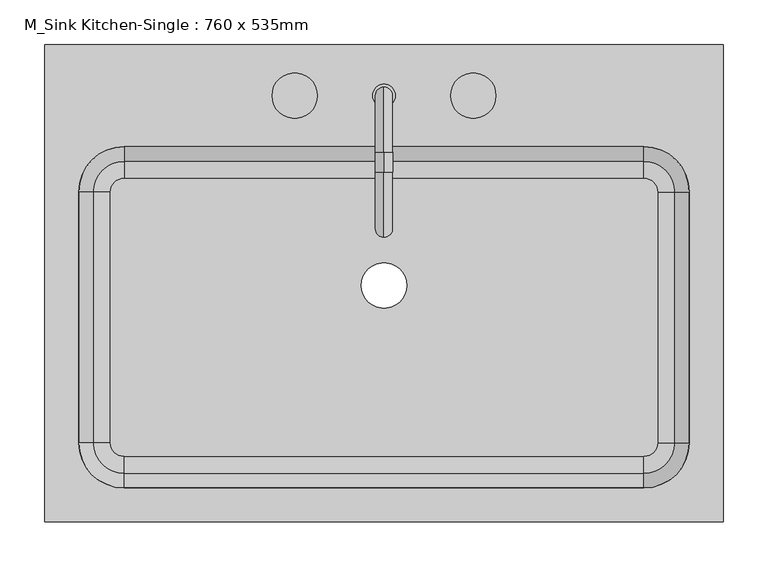
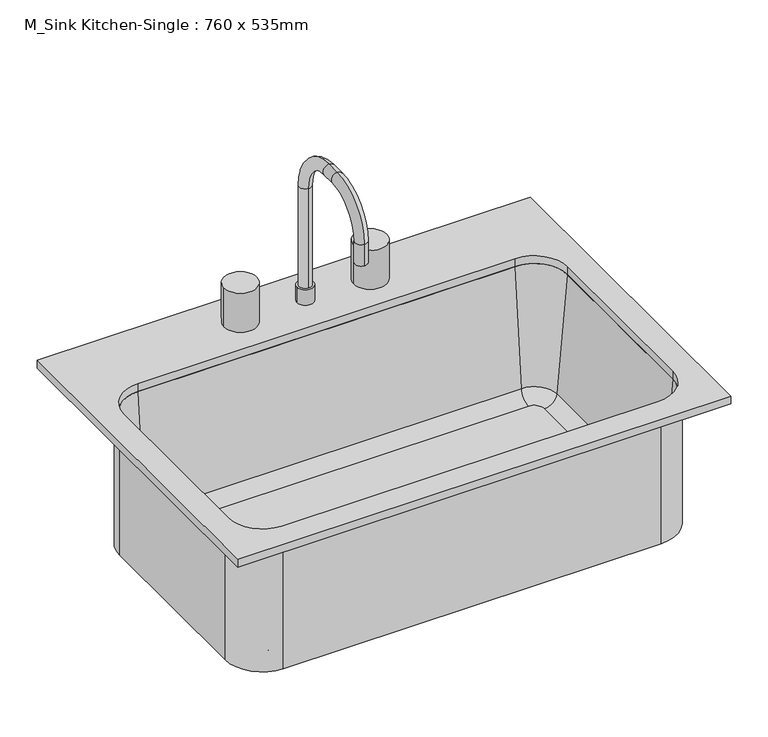
"""IFC4 building model written with IfcOpenShell, lengths in millimetres: flow terminal geometry, M_Sink Kitchen-Single : 760 x 535mm."""

from ifc_helpers import new_model, si_unit, point, frame, frame_2d, origin, place, context, project, spatial, polyline, circle_curve, ellipse_curve, trimmed, segment, composite_curve, outline, extrude, source, transform, mapped, element, save
from ifc_brep_helpers import plane_surface, cylinder_surface, revolved_surface, advanced_brep


def m_sink_kitchen_single_760_x_535mm_74321b3d(model_context):
    return source(origin(), model_context, "Body", "SolidModel", [
        advanced_brep(
        [(363.9392406, 104.7454011, 684.1), (306.7892406, 161.8954011, 684.1), (306.7892406, 161.8954011, 900.0), (363.9392406, 104.7454011, 900.0), (363.9392406, -176.2545989, 684.1), (306.7892406, -233.4045989, 684.1), (-275.4107594, -233.4045989, 684.1), (-332.5607594, -176.2545989, 684.1), (-332.5607594, 104.7454011, 684.1), (-275.4107594, 161.8954011, 684.1), (-9.7107594, 0.0, 684.1), (41.0892406, 0.0, 684.1), (322.0776588, 104.7454011, 693.625), (306.7892406, 120.0338193, 693.625), (-275.4107594, 120.0338193, 693.625), (-290.6991776, 104.7454011, 693.625), (-290.6991776, -176.2545989, 693.625), (-275.4107594, -191.5430171, 693.625), (306.7892406, -191.5430171, 693.625), (322.0776588, -176.2545989, 693.625), (-9.7107594, 0.0, 693.625), (41.0892406, 0.0, 693.625), (341.0551678, 104.7454011, 711.0146831), (306.7892406, 139.0113283, 711.0146831), (357.5892406, 104.7454011, 900.0), (306.7892406, 155.5454011, 900.0), (363.9392406, -176.2545989, 900.0), (341.0551678, -176.2545989, 711.0146831), (357.5892406, -176.2545989, 900.0), (306.7892406, -233.4045989, 900.0), (306.7892406, -210.5205261, 711.0146831), (306.7892406, -227.0545989, 900.0), (-275.4107594, -233.4045989, 900.0), (-275.4107594, -210.5205261, 711.0146831), (-275.4107594, -227.0545989, 900.0), (-332.5607594, -176.2545989, 900.0), (-309.6766866, -176.2545989, 711.0146831), (-326.2107594, -176.2545989, 900.0), (-332.5607594, 104.7454011, 900.0), (-309.6766866, 104.7454011, 711.0146831), (-326.2107594, 104.7454011, 900.0), (-275.4107594, 161.8954011, 900.0), (-275.4107594, 139.0113283, 711.0146831), (-275.4107594, 155.5454011, 900.0)],
        [
            (0, 1, circle_curve(frame((306.7892406, 104.7454011, 684.1), z_axis=(0.0, 0.0, 1.0), x_axis=(0.0, 1.0, 0.0)), 57.15)),
            (1, 2),
            (2, 3, circle_curve(frame((306.7892406, 104.7454011, 900.0), z_axis=(0.0, 0.0, -1.0), x_axis=(0.0, 1.0, 0.0)), 57.15)),
            (3, 0),
            (0, 4),
            (4, 5, circle_curve(frame((306.7892406, -176.2545989, 684.1), z_axis=(0.0, 0.0, -1.0), x_axis=(1.0, 0.0, 0.0)), 57.15)),
            (5, 6),
            (6, 7, circle_curve(frame((-275.4107594, -176.2545989, 684.1), z_axis=(0.0, 0.0, -1.0), x_axis=(0.0, -1.0, 0.0)), 57.15)),
            (7, 8),
            (8, 9, circle_curve(frame((-275.4107594, 104.7454011, 684.1), z_axis=(0.0, 0.0, -1.0), x_axis=(-1.0, 0.0, 0.0)), 57.15)),
            (9, 1),
            (10, 11, circle_curve(frame((15.6892406, 0.0, 684.1), z_axis=(0.0, 0.0, 1.0), x_axis=(1.0, 0.0, 0.0)), 25.4)),
            (11, 10, circle_curve(frame((15.6892406, 0.0, 684.1), z_axis=(0.0, 0.0, 1.0), x_axis=(1.0, 0.0, 0.0)), 25.4)),
            (12, 13, circle_curve(frame((306.7892406, 104.7454011, 693.625), z_axis=(0.0, 0.0, 1.0), x_axis=(0.0, 1.0, 0.0)), 15.2884182)),
            (13, 14),
            (14, 15, circle_curve(frame((-275.4107594, 104.7454011, 693.625), z_axis=(0.0, 0.0, 1.0), x_axis=(-1.0, 0.0, 0.0)), 15.2884182)),
            (15, 16),
            (16, 17, circle_curve(frame((-275.4107594, -176.2545989, 693.625), z_axis=(0.0, 0.0, 1.0), x_axis=(0.0, -1.0, 0.0)), 15.2884182)),
            (17, 18),
            (18, 19, circle_curve(frame((306.7892406, -176.2545989, 693.625), z_axis=(0.0, 0.0, 1.0), x_axis=(1.0, 0.0, 0.0)), 15.2884182)),
            (19, 12),
            (20, 21, circle_curve(frame((15.6892406, 0.0, 693.625), z_axis=(0.0, 0.0, -1.0), x_axis=(1.0, 0.0, 0.0)), 25.4)),
            (21, 20, circle_curve(frame((15.6892406, 0.0, 693.625), z_axis=(0.0, 0.0, -1.0), x_axis=(1.0, 0.0, 0.0)), 25.4)),
            (12, 22, circle_curve(frame((322.0776588, 104.7454011, 712.675), z_axis=(0.0, -1.0, 0.0), x_axis=(1.0, 0.0, 0.0)), 19.05)),
            (22, 23, circle_curve(frame((306.7892406, 104.7454011, 711.0146831), z_axis=(0.0, 0.0, 1.0), x_axis=(0.0, 1.0, 0.0)), 34.2659272)),
            (23, 13, circle_curve(frame((306.7892406, 120.0338193, 712.675), z_axis=(-1.0, 0.0, 0.0), x_axis=(0.0, 1.0, 0.0)), 19.05)),
            (22, 24),
            (24, 25, circle_curve(frame((306.7892406, 104.7454011, 900.0), z_axis=(0.0, 0.0, 1.0), x_axis=(0.0, 1.0, 0.0)), 50.8)),
            (25, 23),
            (2, 25),
            (24, 3),
            (3, 26),
            (26, 4),
            (19, 27, circle_curve(frame((322.0776588, -176.2545989, 712.675), z_axis=(0.0, -1.0, 0.0), x_axis=(1.0, 0.0, 0.0)), 19.05)),
            (27, 22),
            (27, 28),
            (28, 24),
            (28, 26),
            (26, 29, circle_curve(frame((306.7892406, -176.2545989, 900.0), z_axis=(0.0, 0.0, -1.0), x_axis=(1.0, 0.0, 0.0)), 57.15)),
            (29, 5),
            (18, 30, circle_curve(frame((306.7892406, -191.5430171, 712.675), z_axis=(-1.0, 0.0, 0.0), x_axis=(0.0, -1.0, 0.0)), 19.05)),
            (30, 27, circle_curve(frame((306.7892406, -176.2545989, 711.0146831), z_axis=(0.0, 0.0, 1.0), x_axis=(1.0, 0.0, 0.0)), 34.2659272)),
            (30, 31),
            (31, 28, circle_curve(frame((306.7892406, -176.2545989, 900.0), z_axis=(0.0, 0.0, 1.0), x_axis=(1.0, 0.0, 0.0)), 50.8)),
            (31, 29),
            (29, 32),
            (32, 6),
            (17, 33, circle_curve(frame((-275.4107594, -191.5430171, 712.675), z_axis=(-1.0, 0.0, 0.0), x_axis=(0.0, -1.0, 0.0)), 19.05)),
            (33, 30),
            (33, 34),
            (34, 31),
            (34, 32),
            (32, 35, circle_curve(frame((-275.4107594, -176.2545989, 900.0), z_axis=(0.0, 0.0, -1.0), x_axis=(0.0, -1.0, 0.0)), 57.15)),
            (35, 7),
            (16, 36, circle_curve(frame((-290.6991776, -176.2545989, 712.675), z_axis=(0.0, 1.0, 0.0), x_axis=(-1.0, 0.0, 0.0)), 19.05)),
            (36, 33, circle_curve(frame((-275.4107594, -176.2545989, 711.0146831), z_axis=(0.0, 0.0, 1.0), x_axis=(0.0, -1.0, 0.0)), 34.2659272)),
            (36, 37),
            (37, 34, circle_curve(frame((-275.4107594, -176.2545989, 900.0), z_axis=(0.0, 0.0, 1.0), x_axis=(0.0, -1.0, 0.0)), 50.8)),
            (37, 35),
            (35, 38),
            (38, 8),
            (15, 39, circle_curve(frame((-290.6991776, 104.7454011, 712.675), z_axis=(0.0, 1.0, 0.0), x_axis=(-1.0, 0.0, 0.0)), 19.05)),
            (39, 36),
            (39, 40),
            (40, 37),
            (40, 38),
            (38, 41, circle_curve(frame((-275.4107594, 104.7454011, 900.0), z_axis=(0.0, 0.0, -1.0), x_axis=(-1.0, 0.0, 0.0)), 57.15)),
            (41, 9),
            (14, 42, circle_curve(frame((-275.4107594, 120.0338193, 712.675), z_axis=(1.0, 0.0, 0.0), x_axis=(0.0, 1.0, 0.0)), 19.05)),
            (42, 39, circle_curve(frame((-275.4107594, 104.7454011, 711.0146831), z_axis=(0.0, 0.0, 1.0), x_axis=(-1.0, 0.0, 0.0)), 34.2659272)),
            (42, 43),
            (43, 40, circle_curve(frame((-275.4107594, 104.7454011, 900.0), z_axis=(0.0, 0.0, 1.0), x_axis=(-1.0, 0.0, 0.0)), 50.8)),
            (43, 41),
            (41, 2),
            (23, 42),
            (25, 43),
            (20, 10),
            (11, 21),
        ],
        [
            cylinder_surface(frame((306.7892406, 104.7454011, 0.0), z_axis=(0.0, 0.0, -1.0), x_axis=(0.0, 1.0, 0.0)), 57.15),
            plane_surface(frame((306.7892406, 104.7454011, 684.1), z_axis=(0.0, 0.0, -1.0), x_axis=(0.0, 1.0, 0.0))),
            plane_surface(frame((306.7892406, 104.7454011, 693.625), z_axis=(0.0, 0.0, 1.0), x_axis=(0.0, 1.0, 0.0))),
            revolved_surface(trimmed(ellipse_curve(frame((306.7892406, 120.0338193, 712.675), z_axis=(1.0, 0.0, 0.0), x_axis=(0.0, 1.0, 0.0)), 19.05, 19.05), [point((306.7892406, 120.0338193, 693.625))], [point((306.7892406, 139.0113283, 711.0146831))], True, "CARTESIAN"), (306.7892406, 104.7454011, 0.0), (0.0, 0.0, -1.0)),
            revolved_surface(polyline([(306.7892406, 139.0113283, 711.0146831), (306.7892406, 155.5454011, 900.0)]), (306.7892406, 104.7454011, 0.0), (0.0, 0.0, -1.0)),
            plane_surface(frame((306.7892406, 104.7454011, 900.0), z_axis=(0.0, 0.0, 1.0), x_axis=(0.0, 1.0, 0.0))),
            plane_surface(frame((363.9392406, 104.7454011, 900.0), z_axis=(1.0, 0.0, 0.0), x_axis=(0.0, -1.0, 0.0))),
            revolved_surface(polyline([(341.1276588, -176.25459890000002, 712.675), (341.1276588, 104.7454011, 712.675)]), (322.0776588, 104.7454011, 712.675), (0.0, -1.0, 0.0)),
            plane_surface(frame((341.0551678, 104.7454011, 711.0146831), z_axis=(-0.9961946980917443, 0.0, 0.08715574274767235), x_axis=(0.0, -1.0, 0.0))),
            plane_surface(frame((357.5892406, 104.7454011, 900.0), z_axis=(0.0, 0.0, 1.0), x_axis=(0.0, -1.0, 0.0))),
            cylinder_surface(frame((306.7892406, -176.2545989, 0.0), z_axis=(0.0, 0.0, -1.0), x_axis=(1.0, 0.0, 0.0)), 57.15),
            revolved_surface(trimmed(ellipse_curve(frame((322.0776588, -176.2545989, 712.675), z_axis=(0.0, -1.0, 0.0), x_axis=(1.0, 0.0, 0.0)), 19.05, 19.05), [point((322.0776588, -176.2545989, 693.625))], [point((341.0551678, -176.2545989, 711.0146831))], True, "CARTESIAN"), (306.7892406, -176.2545989, 0.0), (0.0, 0.0, -1.0)),
            revolved_surface(polyline([(341.0551678, -176.2545989, 711.0146831), (357.5892406, -176.2545989, 900.0)]), (306.7892406, -176.2545989, 0.0), (0.0, 0.0, -1.0)),
            plane_surface(frame((306.7892406, -176.2545989, 900.0), z_axis=(0.0, 0.0, 1.0), x_axis=(1.0, 0.0, 0.0))),
            plane_surface(frame((306.7892406, -233.4045989, 900.0), z_axis=(0.0, -1.0, 0.0), x_axis=(-1.0, 0.0, 0.0))),
            revolved_surface(polyline([(-275.4107594, -210.5930171, 712.675), (306.7892406, -210.5930171, 712.675)]), (306.7892406, -191.5430171, 712.675), (-1.0, 0.0, 0.0)),
            plane_surface(frame((306.7892406, -210.5205261, 711.0146831), z_axis=(0.0, 0.9961946980917443, 0.08715574274767235), x_axis=(-1.0, 0.0, 0.0))),
            plane_surface(frame((306.7892406, -227.0545989, 900.0), z_axis=(0.0, 0.0, 1.0), x_axis=(-1.0, 0.0, 0.0))),
            cylinder_surface(frame((-275.4107594, -176.2545989, 0.0), z_axis=(0.0, 0.0, -1.0), x_axis=(0.0, -1.0, 0.0)), 57.15),
            revolved_surface(trimmed(ellipse_curve(frame((-275.4107594, -191.5430171, 712.675), z_axis=(-1.0, 0.0, 0.0), x_axis=(0.0, -1.0, 0.0)), 19.05, 19.05), [point((-275.4107594, -191.5430171, 693.625))], [point((-275.4107594, -210.5205261, 711.0146831))], True, "CARTESIAN"), (-275.4107594, -176.2545989, 0.0), (0.0, 0.0, -1.0)),
            revolved_surface(polyline([(-275.4107594, -210.5205261, 711.0146831), (-275.4107594, -227.0545989, 900.0)]), (-275.4107594, -176.2545989, 0.0), (0.0, 0.0, -1.0)),
            plane_surface(frame((-275.4107594, -176.2545989, 900.0), z_axis=(0.0, 0.0, 1.0), x_axis=(0.0, -1.0, 0.0))),
            plane_surface(frame((-332.5607594, -176.2545989, 900.0), z_axis=(-1.0, 0.0, 0.0), x_axis=(0.0, 1.0, 0.0))),
            revolved_surface(polyline([(-309.7491776, 104.74540110000001, 712.675), (-309.7491776, -176.2545989, 712.675)]), (-290.6991776, -176.2545989, 712.675), (0.0, 1.0, 0.0)),
            plane_surface(frame((-309.6766866, -176.2545989, 711.0146831), z_axis=(0.9961946980917443, 0.0, 0.08715574274767235), x_axis=(0.0, 1.0, 0.0))),
            plane_surface(frame((-326.2107594, -176.2545989, 900.0), z_axis=(0.0, 0.0, 1.0), x_axis=(0.0, 1.0, 0.0))),
            cylinder_surface(frame((-275.4107594, 104.7454011, 0.0), z_axis=(0.0, 0.0, -1.0), x_axis=(-1.0, 0.0, 0.0)), 57.15),
            revolved_surface(trimmed(ellipse_curve(frame((-290.6991776, 104.7454011, 712.675), z_axis=(0.0, 1.0, 0.0), x_axis=(-1.0, 0.0, 0.0)), 19.05, 19.05), [point((-290.6991776, 104.7454011, 693.625))], [point((-309.6766866, 104.7454011, 711.0146831))], True, "CARTESIAN"), (-275.4107594, 104.7454011, 0.0), (0.0, 0.0, -1.0)),
            revolved_surface(polyline([(-309.6766866, 104.7454011, 711.0146831), (-326.2107594, 104.7454011, 900.0)]), (-275.4107594, 104.7454011, 0.0), (0.0, 0.0, -1.0)),
            plane_surface(frame((-275.4107594, 104.7454011, 900.0), z_axis=(0.0, 0.0, 1.0), x_axis=(-1.0, 0.0, 0.0))),
            plane_surface(frame((-275.4107594, 161.8954011, 900.0), z_axis=(0.0, 1.0, 0.0), x_axis=(1.0, 0.0, 0.0))),
            revolved_surface(polyline([(306.7892406, 139.08381930000002, 712.675), (-275.4107594, 139.08381930000002, 712.675)]), (-275.4107594, 120.0338193, 712.675), (1.0, 0.0, 0.0)),
            plane_surface(frame((-275.4107594, 139.0113283, 711.0146831), z_axis=(0.0, -0.9961946980917443, 0.08715574274767235), x_axis=(1.0, 0.0, 0.0))),
            plane_surface(frame((-275.4107594, 155.5454011, 900.0), z_axis=(0.0, 0.0, 1.0), x_axis=(1.0, 0.0, 0.0))),
            revolved_surface(polyline([(41.0892406, 0.0, 684.1), (41.0892406, 0.0, 693.625)]), (15.6892406, 0.0, 0.0), (0.0, 0.0, -1.0)),
        ],
        [
            (0, [[1, 2, 3, 4]]),
            (1, [[-1, 5, 6, 7, 8, 9, 10, 11], [12, 13]]),
            (2, [[14, 15, 16, 17, 18, 19, 20, 21], [22, 23]]),
            (3, [[-14, 24, 25, 26]]),
            (4, [[-25, 27, 28, 29]]),
            (5, [[-3, 30, -28, 31]]),
            (6, [[-4, 32, 33, -5]]),
            (7, [[-24, -21, 34, 35]]),
            (8, [[-27, -35, 36, 37]]),
            (9, [[-31, -37, 38, -32]]),
            (10, [[-33, 39, 40, -6]]),
            (11, [[-34, -20, 41, 42]]),
            (12, [[-36, -42, 43, 44]]),
            (13, [[-38, -44, 45, -39]]),
            (14, [[-40, 46, 47, -7]]),
            (15, [[-41, -19, 48, 49]]),
            (16, [[-43, -49, 50, 51]]),
            (17, [[-45, -51, 52, -46]]),
            (18, [[-47, 53, 54, -8]]),
            (19, [[-48, -18, 55, 56]]),
            (20, [[-50, -56, 57, 58]]),
            (21, [[-52, -58, 59, -53]]),
            (22, [[-54, 60, 61, -9]]),
            (23, [[-55, -17, 62, 63]]),
            (24, [[-57, -63, 64, 65]]),
            (25, [[-59, -65, 66, -60]]),
            (26, [[-61, 67, 68, -10]]),
            (27, [[-62, -16, 69, 70]]),
            (28, [[-64, -70, 71, 72]]),
            (29, [[-66, -72, 73, -67]]),
            (30, [[-2, -11, -68, 74]]),
            (31, [[-26, 75, -69, -15]]),
            (32, [[-29, 76, -71, -75]]),
            (33, [[-30, -74, -73, -76]]),
            (34, [[-22, 77, -13, 78]]),
            (34, [[-23, -78, -12, -77]]),
        ],
    ),
        advanced_brep(
        [(2.9892406, 212.6954011, 938.1), (28.3892406, 212.6954011, 938.1), (15.6892406, 222.2204011, 938.1), (15.6892406, 203.1704011, 938.1), (2.9892406, 212.6954011, 912.7), (28.3892406, 212.6954011, 912.7), (15.6892406, 222.2204011, 1100.025), (15.6892406, 203.1704011, 1100.025), (15.6892406, 149.1954011, 1173.05), (15.6892406, 149.1954011, 1154.0), (15.6892406, 126.9704011, 1173.05), (15.6892406, 126.9704011, 1154.0), (15.6892406, 53.9454011, 1100.025), (15.6892406, 72.9954011, 1100.025), (15.6892406, 53.9454011, 1065.1), (15.6892406, 72.9954011, 1065.1)],
        [
            (0, 1, circle_curve(frame((15.6892406, 212.6954011, 938.1), z_axis=(0.0, 0.0, 1.0), x_axis=(1.0, 0.0, 0.0)), 12.7)),
            (1, 0, circle_curve(frame((15.6892406, 212.6954011, 938.1), z_axis=(0.0, 0.0, 1.0), x_axis=(1.0, 0.0, 0.0)), 12.7)),
            (2, 3, circle_curve(frame((15.6892406, 212.6954011, 938.1), z_axis=(0.0, 0.0, -1.0), x_axis=(0.0, -1.0, 0.0)), 9.525)),
            (3, 2, circle_curve(frame((15.6892406, 212.6954011, 938.1), z_axis=(0.0, 0.0, -1.0), x_axis=(0.0, -1.0, 0.0)), 9.525)),
            (4, 5, circle_curve(frame((15.6892406, 212.6954011, 912.7), z_axis=(0.0, 0.0, -1.0), x_axis=(1.0, 0.0, 0.0)), 12.7)),
            (5, 4, circle_curve(frame((15.6892406, 212.6954011, 912.7), z_axis=(0.0, 0.0, -1.0), x_axis=(1.0, 0.0, 0.0)), 12.7)),
            (0, 4),
            (5, 1),
            (6, 7, circle_curve(frame((15.6892406, 212.6954011, 1100.025), z_axis=(0.0, 0.0, -1.0), x_axis=(0.0, -1.0, 0.0)), 9.525)),
            (7, 3),
            (2, 6),
            (7, 6, circle_curve(frame((15.6892406, 212.6954011, 1100.025), z_axis=(0.0, 0.0, -1.0), x_axis=(0.0, -1.0, 0.0)), 9.525)),
            (6, 8, circle_curve(frame((15.6892406, 149.1954011, 1100.025), z_axis=(1.0, 0.0, 0.0), x_axis=(0.0, 1.0, 0.0)), 73.025)),
            (8, 9, circle_curve(frame((15.6892406, 149.1954011, 1163.525), z_axis=(0.0, 1.0, 0.0), x_axis=(0.0, 0.0, -1.0)), 9.525)),
            (9, 7, circle_curve(frame((15.6892406, 149.1954011, 1100.025), z_axis=(-1.0, 0.0, 0.0), x_axis=(0.0, 1.0, 0.0)), 53.975)),
            (9, 8, circle_curve(frame((15.6892406, 149.1954011, 1163.525), z_axis=(0.0, 1.0, 0.0), x_axis=(0.0, 0.0, -1.0)), 9.525)),
            (8, 10),
            (10, 11, circle_curve(frame((15.6892406, 126.9704011, 1163.525), z_axis=(0.0, 1.0, 0.0), x_axis=(0.0, 0.0, -1.0)), 9.525)),
            (11, 9),
            (11, 10, circle_curve(frame((15.6892406, 126.9704011, 1163.525), z_axis=(0.0, 1.0, 0.0), x_axis=(0.0, 0.0, -1.0)), 9.525)),
            (10, 12, circle_curve(frame((15.6892406, 126.9704011, 1100.025), z_axis=(1.0, 0.0, 0.0), x_axis=(0.0, 0.0, 1.0)), 73.025)),
            (12, 13, circle_curve(frame((15.6892406, 63.4704011, 1100.025), z_axis=(0.0, 0.0, 1.0), x_axis=(0.0, 1.0, 0.0)), 9.525)),
            (13, 11, circle_curve(frame((15.6892406, 126.9704011, 1100.025), z_axis=(-1.0, 0.0, 0.0), x_axis=(0.0, 0.0, 1.0)), 53.975)),
            (13, 12, circle_curve(frame((15.6892406, 63.4704011, 1100.025), z_axis=(0.0, 0.0, 1.0), x_axis=(0.0, 1.0, 0.0)), 9.525)),
            (14, 15, circle_curve(frame((15.6892406, 63.4704011, 1065.1), z_axis=(0.0, 0.0, -1.0), x_axis=(0.0, 1.0, 0.0)), 9.525)),
            (15, 14, circle_curve(frame((15.6892406, 63.4704011, 1065.1), z_axis=(0.0, 0.0, -1.0), x_axis=(0.0, 1.0, 0.0)), 9.525)),
            (12, 14),
            (15, 13),
        ],
        [
            plane_surface(frame((28.3892406, 212.6954011, 938.1), z_axis=(0.0, 0.0, 1.0), x_axis=(0.0, 1.0, 0.0))),
            plane_surface(frame((28.3892406, 212.6954011, 912.7), z_axis=(0.0, 0.0, -1.0), x_axis=(0.0, -1.0, 0.0))),
            cylinder_surface(frame((15.6892406, 212.6954011, 912.7), z_axis=(0.0, 0.0, 1.0), x_axis=(1.0, 0.0, 0.0)), 12.7),
            cylinder_surface(frame((15.6892406, 212.6954011, 912.7), z_axis=(0.0, 0.0, -1.0), x_axis=(0.0, -1.0, 0.0)), 9.525),
            revolved_surface(trimmed(ellipse_curve(frame((15.6892406, 212.6954011, 1100.025), z_axis=(0.0, 0.0, -1.0), x_axis=(0.0, -1.0, 0.0)), 9.525, 9.525), [point((15.6892406, 222.2204011, 1100.025))], [point((15.6892406, 203.1704011, 1100.025))], True, "CARTESIAN"), (15.6892406, 149.1954011, 1100.025), (1.0, 0.0, 0.0)),
            revolved_surface(trimmed(ellipse_curve(frame((15.6892406, 212.6954011, 1100.025), z_axis=(0.0, 0.0, -1.0), x_axis=(0.0, -1.0, 0.0)), 9.525, 9.525), [point((15.6892406, 203.1704011, 1100.025))], [point((15.6892406, 222.2204011, 1100.025))], True, "CARTESIAN"), (15.6892406, 149.1954011, 1100.025), (1.0, 0.0, 0.0)),
            cylinder_surface(frame((15.6892406, 149.1954011, 1163.525), z_axis=(0.0, 1.0, 0.0), x_axis=(0.0, 0.0, -1.0)), 9.525),
            revolved_surface(trimmed(ellipse_curve(frame((15.6892406, 126.9704011, 1163.525), z_axis=(0.0, 1.0, 0.0), x_axis=(0.0, 0.0, -1.0)), 9.525, 9.525), [point((15.6892406, 126.9704011, 1173.05))], [point((15.6892406, 126.9704011, 1154.0))], True, "CARTESIAN"), (15.6892406, 126.9704011, 1100.025), (1.0, 0.0, 0.0)),
            revolved_surface(trimmed(ellipse_curve(frame((15.6892406, 126.9704011, 1163.525), z_axis=(0.0, 1.0, 0.0), x_axis=(0.0, 0.0, -1.0)), 9.525, 9.525), [point((15.6892406, 126.9704011, 1154.0))], [point((15.6892406, 126.9704011, 1173.05))], True, "CARTESIAN"), (15.6892406, 126.9704011, 1100.025), (1.0, 0.0, 0.0)),
            plane_surface(frame((15.6892406, 53.9454011, 1065.1), z_axis=(0.0, 0.0, -1.0), x_axis=(-1.0, 0.0, 0.0))),
            cylinder_surface(frame((15.6892406, 63.4704011, 1100.025), z_axis=(0.0, 0.0, 1.0), x_axis=(0.0, 1.0, 0.0)), 9.525),
        ],
        [
            (0, [[1, 2], [3, 4]]),
            (1, [[5, 6]]),
            (2, [[-1, 7, -6, 8]]),
            (2, [[-2, -8, -5, -7]]),
            (3, [[9, 10, -3, 11]]),
            (3, [[12, -11, -4, -10]]),
            (4, [[-9, 13, 14, 15]]),
            (5, [[-12, -15, 16, -13]]),
            (6, [[-14, 17, 18, 19]]),
            (6, [[-16, -19, 20, -17]]),
            (7, [[-18, 21, 22, 23]]),
            (8, [[-20, -23, 24, -21]]),
            (9, [[25, 26]]),
            (10, [[-22, 27, -26, 28]]),
            (10, [[-24, -28, -25, -27]]),
        ],
    ),
        extrude(outline(composite_curve([segment(trimmed(circle_curve(frame_2d((-84.3107594, 212.6954011)), 25.4), [point((-109.7107594, 212.6954011))], [point((-58.9107594, 212.6954011))], False, "CARTESIAN"), True, "CONTINUOUS"), segment(trimmed(circle_curve(frame_2d((-84.3107594, 212.6954011)), 25.4), [point((-58.9107594, 212.6954011))], [point((-109.7107594, 212.6954011))], False, "CARTESIAN"), True, "CONTINUOUS")], self_intersect=False)), frame((0.0, 0.0, 912.7), z_axis=(0.0, 0.0, 1.0), x_axis=(1.0, 0.0, 0.0)), (0.0, 0.0, 1.0), 63.5),
        extrude(outline(composite_curve([segment(trimmed(circle_curve(frame_2d((115.6892406, 212.6954011)), 25.4), [point((90.2892406, 212.6954011))], [point((141.0892406, 212.6954011))], False, "CARTESIAN"), True, "CONTINUOUS"), segment(trimmed(circle_curve(frame_2d((115.6892406, 212.6954011)), 25.4), [point((141.0892406, 212.6954011))], [point((90.2892406, 212.6954011))], False, "CARTESIAN"), True, "CONTINUOUS")], self_intersect=False)), frame((0.0, 0.0, 912.7), z_axis=(0.0, 0.0, 1.0), x_axis=(1.0, 0.0, 0.0)), (0.0, 0.0, 1.0), 63.5),
        extrude(outline(polyline([(395.6892406, 269.8454011), (395.6892406, -265.1545989), (-364.3107594, -265.1545989), (-364.3107594, 269.8454011), (395.6892406, 269.8454011)]), holes=[composite_curve([segment(polyline([(306.7892406, 155.5454011), (-275.4107594, 155.5454011)]), True, "CONTINUOUS"), segment(trimmed(circle_curve(frame_2d((-275.4107594, 104.7454011)), 50.8), [point((-275.4107594, 155.5454011))], [point((-326.2107594, 104.7454011))], True, "CARTESIAN"), True, "CONTINUOUS"), segment(polyline([(-326.2107594, 104.7454011), (-326.2107594, -176.2545989)]), True, "CONTINUOUS"), segment(trimmed(circle_curve(frame_2d((-275.4107594, -176.2545989)), 50.8), [point((-326.2107594, -176.2545989))], [point((-275.4107594, -227.0545989))], True, "CARTESIAN"), True, "CONTINUOUS"), segment(polyline([(-275.4107594, -227.0545989), (306.7892406, -227.0545989)]), True, "CONTINUOUS"), segment(trimmed(circle_curve(frame_2d((306.7892406, -176.2545989)), 50.8), [point((306.7892406, -227.0545989))], [point((357.5892406, -176.2545989))], True, "CARTESIAN"), True, "CONTINUOUS"), segment(polyline([(357.5892406, -176.2545989), (357.5892406, 104.7454011)]), True, "CONTINUOUS"), segment(trimmed(circle_curve(frame_2d((306.7892406, 104.7454011)), 50.8), [point((357.5892406, 104.7454011))], [point((306.7892406, 155.5454011))], True, "CARTESIAN"), True, "CONTINUOUS")], self_intersect=False)]), frame((0.0, 0.0, 900.0), z_axis=(0.0, 0.0, 1.0), x_axis=(1.0, 0.0, 0.0)), (0.0, 0.0, 1.0), 12.7),
    ])


if __name__ == "__main__":
    model = new_model("IFC4")
    model_context = context("Model", 3, world=origin())
    ifc_project = project(units=[si_unit("LENGTHUNIT", "METRE", prefix="MILLI")], contexts=[model_context])
    site = spatial("IfcSite", under=ifc_project)
    building = spatial("IfcBuilding", under=site)
    placement = place(None, origin())
    m_sink_kitchen_single_760_x_535mm_shape = m_sink_kitchen_single_760_x_535mm_74321b3d(model_context)
    element("IfcFlowTerminal", 1, ObjectType="M_Sink Kitchen-Single : 760 x 535mm", at=placement, inside=building, context=model_context, shape_type="MappedRepresentation", body=[
        mapped(m_sink_kitchen_single_760_x_535mm_shape, transform((0.0, 0.0, 0.0), x_axis=(1.0, 0.0, 0.0), y_axis=(0.0, 1.0, 0.0), z_axis=(0.0, 0.0, 1.0))),
    ])
    save(model, "model.ifc")
